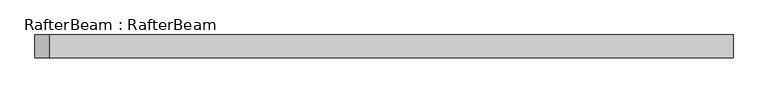
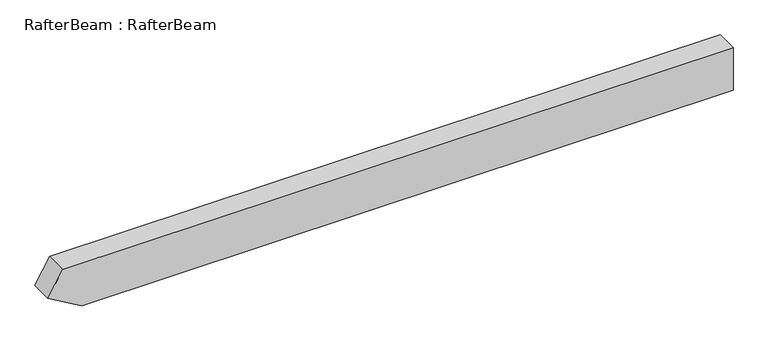
"""IFC4 building model written with IfcOpenShell, lengths in millimetres: beam geometry, RafterBeam : RafterBeam."""

from ifc_helpers import new_model, si_unit, frame, origin, place, context, project, spatial, polyline, outline, extrude, source, transform, mapped, element, save


def rafterbeam_rafterbeam_09df6cfe(model_context):
    return source(origin(), model_context, "Body", "SweptSolid", [
        extrude(outline(polyline([(-50.0, 712.3505925), (50.0, 712.3505925), (50.0, -777.670319), (-6.6987298, -810.4053459), (-50.0, -735.4053459), (-50.0, 712.3505925)])), frame((0.0, -25.0, 0.0), z_axis=(0.0, 1.0, 0.0), x_axis=(0.0, 0.0, 1.0)), (0.0, 0.0, 1.0), 50.0),
    ])


if __name__ == "__main__":
    model = new_model("IFC4")
    model_context = context("Model", 3, world=origin())
    ifc_project = project(units=[si_unit("LENGTHUNIT", "METRE", prefix="MILLI")], contexts=[model_context])
    site = spatial("IfcSite", under=ifc_project)
    building = spatial("IfcBuilding", under=site)
    placement = place(None, origin())
    rafterbeam_rafterbeam_shape = rafterbeam_rafterbeam_09df6cfe(model_context)
    element("IfcBeam", 1, ObjectType="RafterBeam : RafterBeam", at=placement, inside=building, context=model_context, shape_type="MappedRepresentation", body=[
        mapped(rafterbeam_rafterbeam_shape, transform((0.0, 0.0, 0.0), x_axis=(1.0, 0.0, 0.0), y_axis=(0.0, 1.0, 0.0), z_axis=(0.0, 0.0, 1.0))),
    ])
    save(model, "model.ifc")
